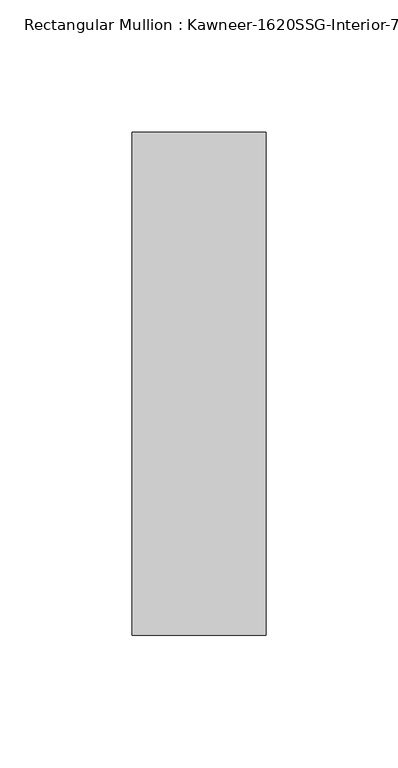
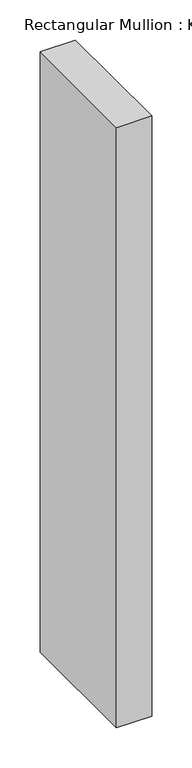
"""IFC4 building model written with IfcOpenShell, lengths in millimetres: member geometry."""

from ifc_helpers import new_model, si_unit, frame, origin, place, context, project, spatial, polyline, outline, extrude, source, transform, mapped, element, save


def member_14c08299(model_context):
    return source(origin(), model_context, "Body", "SweptSolid", [
        extrude(outline(polyline([(25.4, -152.4), (-25.4, -152.4), (-25.4, 38.1), (25.4, 38.1), (25.4, -152.4)])), frame((0.0, 0.0, -914.4), z_axis=(0.0, 0.0, 1.0), x_axis=(1.0, 0.0, 0.0)), (0.0, 0.0, 1.0), 914.4),
    ])


if __name__ == "__main__":
    model = new_model("IFC4")
    model_context = context("Model", 3, world=origin())
    ifc_project = project(units=[si_unit("LENGTHUNIT", "METRE", prefix="MILLI")], contexts=[model_context])
    site = spatial("IfcSite", under=ifc_project)
    building = spatial("IfcBuilding", under=site)
    placement = place(None, origin())
    member_shape = member_14c08299(model_context)
    element("IfcMember", 1, ObjectType="Rectangular Mullion : Kawneer-1620SSG-Interior-7.5\"-1\"Infill", at=placement, inside=building, context=model_context, shape_type="MappedRepresentation", body=[
        mapped(member_shape, transform((0.0, 0.0, 0.0), x_axis=(1.0, 0.0, 0.0), y_axis=(0.0, 1.0, 0.0), z_axis=(0.0, 0.0, 1.0))),
    ])
    save(model, "model.ifc")
